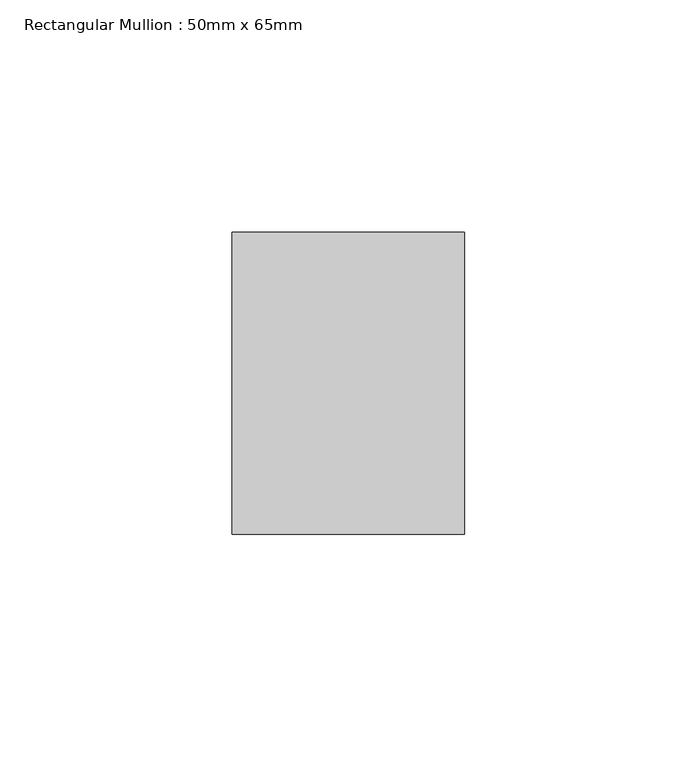
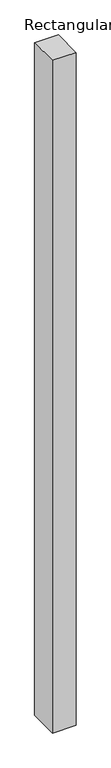
"""IFC4 building model written with IfcOpenShell, lengths in millimetres: member geometry, Rectangular Mullion : 50mm x 65mm."""

from ifc_helpers import new_model, si_unit, origin, place, context, project, spatial, faceted_brep, source, transform, mapped, element, save


def rectangular_mullion_50mm_x_65mm_dd3b628c(model_context):
    return source(origin(), model_context, "Body", "Brep", [
        faceted_brep([(-25.0, 32.5, -0.0980895), (25.0, 32.5, -0.0980889), (25.0, 32.5, -1499.8163711), (-25.0, 32.5, -1499.8163701), (-25.0, -32.5, 0.0980889), (-25.0, -32.5, -1500.1835152), (25.0, -32.5, 0.0980895), (25.0, -32.5, -1500.1835162)], [[[0, 1, 2, 3]], [[4, 0, 3, 5]], [[6, 4, 5, 7]], [[1, 6, 7, 2]], [[1, 0, 4, 6]], [[2, 7, 5, 3]]]),
    ])


if __name__ == "__main__":
    model = new_model("IFC4")
    model_context = context("Model", 3, world=origin())
    ifc_project = project(units=[si_unit("LENGTHUNIT", "METRE", prefix="MILLI")], contexts=[model_context])
    site = spatial("IfcSite", under=ifc_project)
    building = spatial("IfcBuilding", under=site)
    placement = place(None, origin())
    rectangular_mullion_50mm_x_65mm_shape = rectangular_mullion_50mm_x_65mm_dd3b628c(model_context)
    element("IfcMember", 1, ObjectType="Rectangular Mullion : 50mm x 65mm", at=placement, inside=building, context=model_context, shape_type="MappedRepresentation", body=[
        mapped(rectangular_mullion_50mm_x_65mm_shape, transform((0.0, 0.0, 0.0), x_axis=(1.0, 0.0, 0.0), y_axis=(0.0, 1.0, 0.0), z_axis=(0.0, 0.0, 1.0))),
    ])
    save(model, "model.ifc")
